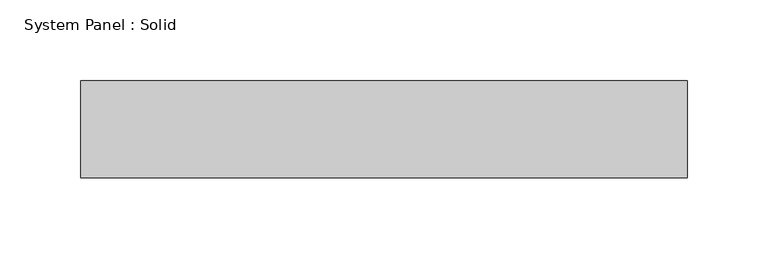
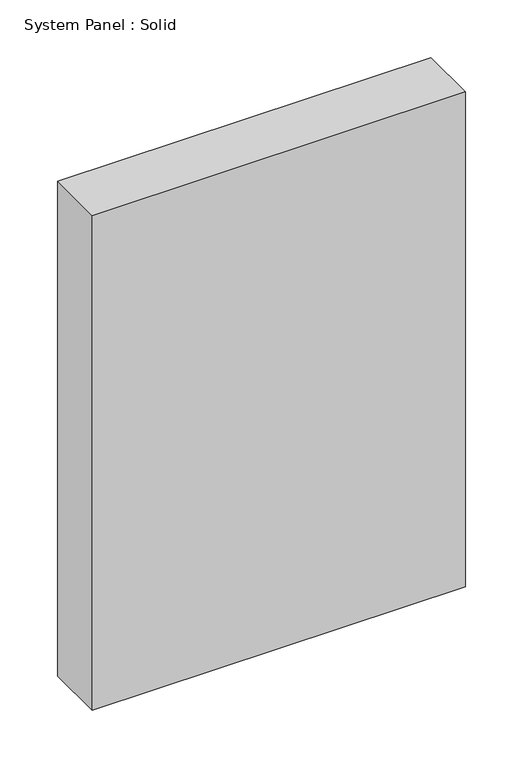
"""IFC4 building model written with IfcOpenShell, lengths in millimetres: plate geometry, System Panel : Solid."""

from ifc_helpers import new_model, si_unit, origin, origin_with_axes, place, context, project, spatial, polyline, outline, extrude, source, transform, mapped, element, save


def system_panel_solid_a5d60c20(model_context):
    return source(origin(), model_context, "Body", "SweptSolid", [
        extrude(outline(polyline([(187.5, -49.5), (-187.5, -49.5), (-187.5, 10.5), (187.5, 10.5), (187.5, -49.5)])), origin_with_axes(), (0.0, 0.0, 1.0), 525.0),
    ])


if __name__ == "__main__":
    model = new_model("IFC4")
    model_context = context("Model", 3, world=origin())
    ifc_project = project(units=[si_unit("LENGTHUNIT", "METRE", prefix="MILLI")], contexts=[model_context])
    site = spatial("IfcSite", under=ifc_project)
    building = spatial("IfcBuilding", under=site)
    placement = place(None, origin())
    system_panel_solid_shape = system_panel_solid_a5d60c20(model_context)
    element("IfcPlate", 1, ObjectType="System Panel : Solid", at=placement, inside=building, context=model_context, shape_type="MappedRepresentation", body=[
        mapped(system_panel_solid_shape, transform((0.0, 0.0, 0.0), x_axis=(1.0, 0.0, 0.0), y_axis=(0.0, 1.0, 0.0), z_axis=(0.0, 0.0, 1.0))),
    ])
    save(model, "model.ifc")
